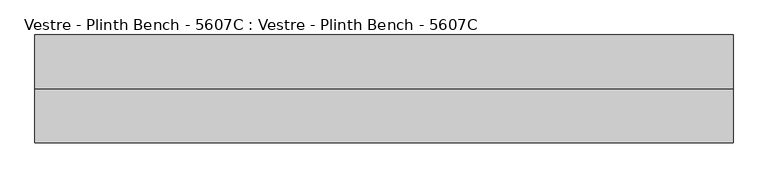
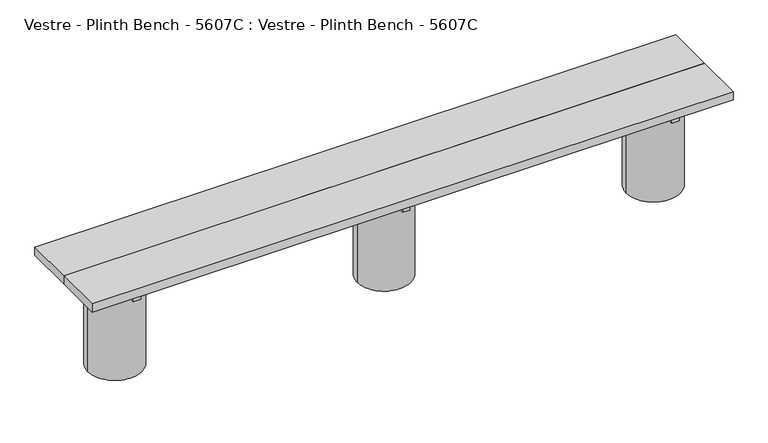
"""IFC4 building model written with IfcOpenShell, lengths in millimetres: furniture geometry, Vestre - Plinth Bench - 5607C : Vestre - Plinth Bench - 5607C."""

from ifc_helpers import new_model, si_unit, frame, origin, place, context, project, spatial, polyline, circle_curve, outline, extrude, source, transform, mapped, element, save
from ifc_brep_helpers import plane_surface, cylinder_surface, advanced_brep


def vestre_plinth_bench_5607c_vestre_plinth_bench_5607c_9e4b33b3(model_context):
    return source(origin(), model_context, "Body", "SolidModel", [
        extrude(outline(polyline([(1310.5005464, -17.4998463), (1310.5005464, -219.9999989), (-1310.5005464, -219.9999989), (-1310.5005464, -17.4998463), (1310.5005464, -17.4998463)])), frame((0.0, 0.0, 414.9999847), z_axis=(0.0, 0.0, 1.0), x_axis=(1.0, 0.0, 0.0)), (0.0, 0.0, 1.0), 35.0000153),
        extrude(outline(polyline([(-1085.9800473, -378.0001515), (-1115.9983608, -378.0001515), (-1115.9983608, -62.0001515), (-1085.9800473, -62.0001515), (-1085.9800473, -378.0001515)])), frame((0.0, 0.0, 364.9999847), z_axis=(0.0, 0.0, 1.0), x_axis=(1.0, 0.0, 0.0)), (0.0, 0.0, 1.0), 50.0),
        extrude(outline(polyline([(1116.0204991, -378.0001515), (1086.0021856, -378.0001515), (1086.0021856, -62.0001515), (1116.0204991, -62.0001515), (1116.0204991, -378.0001515)])), frame((0.0, 0.0, 364.9999847), z_axis=(0.0, 0.0, 1.0), x_axis=(1.0, 0.0, 0.0)), (0.0, 0.0, 1.0), 50.0),
        extrude(outline(polyline([(15.0204991, -378.0001515), (-14.9978144, -378.0001515), (-14.9978144, -62.0001515), (15.0204991, -62.0001515), (15.0204991, -378.0001515)])), frame((0.0, 0.0, 364.9999847), z_axis=(0.0, 0.0, 1.0), x_axis=(1.0, 0.0, 0.0)), (0.0, 0.0, 1.0), 50.0),
        extrude(outline(polyline([(1089.0011479, -202.4998463), (1089.0011479, -237.5001515), (-1089.0005464, -237.5001515), (-1089.0005464, -202.4998463), (1089.0011479, -202.4998463)])), frame((0.0, 0.0, 274.9999847), z_axis=(0.0, 0.0, 1.0), x_axis=(1.0, 0.0, 0.0)), (0.0, 0.0, 1.0), 90.0),
        extrude(outline(polyline([(1310.5005464, -219.9999989), (1310.5005464, -422.5001515), (-1310.5005464, -422.5001515), (-1310.5005464, -219.9999989), (1310.5005464, -219.9999989)])), frame((0.0, 0.0, 414.9999847), z_axis=(0.0, 0.0, 1.0), x_axis=(1.0, 0.0, 0.0)), (0.0, 0.0, 1.0), 35.0000153),
        advanced_brep(
        [(992.8249813, -237.5001515, 364.9999847), (1210.5868599, -219.9999989, 364.9999847), (992.8250143, -202.4996428, 364.9999847), (1089.0011479, -202.4996428, 364.9999847), (1089.0011479, -237.5001515, 364.9999847), (991.4186041, -219.9999989, 0.0), (1210.5868599, -219.9999989, 0.0), (992.8249813, -237.5001515, 274.9999847), (991.4186041, -219.9999989, 274.9999847), (992.8250143, -202.4996428, 274.9999847), (1089.0011479, -237.5001515, 274.9999847), (1089.0011479, -202.4996428, 274.9999847)],
        [
            (0, 1, circle_curve(frame((1101.002732, -219.9999989, 364.9999847), z_axis=(0.0, 0.0, 1.0), x_axis=(1.0, 0.0, 0.0)), 109.5841279)),
            (1, 2, circle_curve(frame((1101.002732, -219.9999989, 364.9999847), z_axis=(0.0, 0.0, 1.0), x_axis=(1.0, 0.0, 0.0)), 109.5841279)),
            (2, 3),
            (3, 4),
            (4, 0),
            (5, 6, circle_curve(frame((1101.002732, -219.9999989, 0.0), z_axis=(0.0, 0.0, -1.0), x_axis=(1.0, 0.0, 0.0)), 109.5841279)),
            (6, 5, circle_curve(frame((1101.002732, -219.9999989, 0.0), z_axis=(0.0, 0.0, -1.0), x_axis=(1.0, 0.0, 0.0)), 109.5841279)),
            (6, 1),
            (0, 7),
            (7, 8, circle_curve(frame((1101.002732, -219.9999989, 274.9999847), z_axis=(0.0, 0.0, -1.0), x_axis=(1.0, 0.0, 0.0)), 109.5841279)),
            (8, 5),
            (8, 9, circle_curve(frame((1101.002732, -219.9999989, 274.9999847), z_axis=(0.0, 0.0, -1.0), x_axis=(1.0, 0.0, 0.0)), 109.5841279)),
            (9, 2),
            (10, 11),
            (11, 9),
            (7, 10),
            (4, 10),
            (3, 11),
        ],
        [
            plane_surface(frame((1210.5868599, -219.9999989, 364.9999847), z_axis=(0.0, 0.0, 1.0), x_axis=(0.0, 1.0, 0.0))),
            plane_surface(frame((1210.5868599, -219.9999989, 0.0), z_axis=(0.0, 0.0, -1.0), x_axis=(0.0, -1.0, 0.0))),
            cylinder_surface(frame((1101.002732, -219.9999989, 0.0), z_axis=(0.0, 0.0, 1.0), x_axis=(1.0, 0.0, 0.0)), 109.5841279),
            plane_surface(frame((929.1366784, -202.4996428, 274.9999847), z_axis=(0.0, 0.0, 1.0), x_axis=(0.0, 1.0, 0.0))),
            plane_surface(frame((929.1366784, -237.5001515, 364.9999835), z_axis=(0.0, 1.0, 0.0), x_axis=(0.0, 0.0, -1.0))),
            plane_surface(frame((1089.0011479, -237.5001515, 364.9999835), z_axis=(-1.0, 0.0, 0.0), x_axis=(0.0, 0.0, -1.0))),
            plane_surface(frame((1089.0011479, -202.4996428, 364.9999835), z_axis=(0.0, -1.0, 0.0), x_axis=(0.0, 0.0, -1.0))),
        ],
        [
            (0, [[1, 2, 3, 4, 5]]),
            (1, [[6, 7]]),
            (2, [[-7, 8, -1, 9, 10, 11]]),
            (2, [[-6, -11, 12, 13, -2, -8]]),
            (3, [[14, 15, -12, -10, 16]]),
            (4, [[17, -16, -9, -5]]),
            (5, [[-14, -17, -4, 18]]),
            (6, [[-18, -3, -13, -15]]),
        ],
    ),
        advanced_brep(
        [(-108.1750187, -237.5001515, 364.9999847), (108.1804827, -237.5001515, 364.9999847), (108.1804827, -202.4998463, 364.9999847), (-108.1750187, -202.4998463, 364.9999847), (-109.5813959, -219.9999989, 0.0), (109.5868599, -219.9999989, 0.0), (109.5868599, -219.9999989, 274.9999847), (108.1804827, -237.5001515, 274.9999847), (-108.1750187, -237.5001515, 274.9999847), (-109.5813959, -219.9999989, 274.9999847), (-108.1750187, -202.4998463, 274.9999847), (108.1804827, -202.4998463, 274.9999847)],
        [
            (0, 1, circle_curve(frame((0.002732, -219.9999989, 364.9999847), z_axis=(0.0, 0.0, 1.0), x_axis=(1.0, 0.0, 0.0)), 109.5841279)),
            (1, 0),
            (2, 3, circle_curve(frame((0.002732, -219.9999989, 364.9999847), z_axis=(0.0, 0.0, 1.0), x_axis=(1.0, 0.0, 0.0)), 109.5841279)),
            (3, 2),
            (4, 5, circle_curve(frame((0.002732, -219.9999989, 0.0), z_axis=(0.0, 0.0, -1.0), x_axis=(1.0, 0.0, 0.0)), 109.5841279)),
            (5, 4, circle_curve(frame((0.002732, -219.9999989, 0.0), z_axis=(0.0, 0.0, -1.0), x_axis=(1.0, 0.0, 0.0)), 109.5841279)),
            (5, 6),
            (6, 7, circle_curve(frame((0.002732, -219.9999989, 274.9999847), z_axis=(0.0, 0.0, -1.0), x_axis=(1.0, 0.0, 0.0)), 109.5841279)),
            (7, 1),
            (0, 8),
            (8, 9, circle_curve(frame((0.002732, -219.9999989, 274.9999847), z_axis=(0.0, 0.0, -1.0), x_axis=(1.0, 0.0, 0.0)), 109.5841279)),
            (9, 4),
            (9, 10, circle_curve(frame((0.002732, -219.9999989, 274.9999847), z_axis=(0.0, 0.0, -1.0), x_axis=(1.0, 0.0, 0.0)), 109.5841279)),
            (10, 3),
            (2, 11),
            (11, 6, circle_curve(frame((0.002732, -219.9999989, 274.9999847), z_axis=(0.0, 0.0, -1.0), x_axis=(1.0, 0.0, 0.0)), 109.5841279)),
            (11, 10),
            (8, 7),
        ],
        [
            plane_surface(frame((109.5868599, -219.9999989, 364.9999847), z_axis=(0.0, 0.0, 1.0), x_axis=(0.0, 1.0, 0.0))),
            plane_surface(frame((109.5868599, -219.9999989, 0.0), z_axis=(0.0, 0.0, -1.0), x_axis=(0.0, -1.0, 0.0))),
            cylinder_surface(frame((0.002732, -219.9999989, 0.0), z_axis=(0.0, 0.0, 1.0), x_axis=(1.0, 0.0, 0.0)), 109.5841279),
            plane_surface(frame((-130.4989072, -202.4998463, 274.9999847), z_axis=(0.0, 0.0, 1.0), x_axis=(1.0, 0.0, 0.0))),
            plane_surface(frame((-130.4989072, -202.4998463, 364.9999847), z_axis=(0.0, -1.0, 0.0), x_axis=(1.0, 0.0, 0.0))),
            plane_surface(frame((-130.4989072, -237.5001515, 274.9999847), z_axis=(0.0, 1.0, 0.0), x_axis=(1.0, 0.0, 0.0))),
        ],
        [
            (0, [[1, 2]]),
            (0, [[3, 4]]),
            (1, [[5, 6]]),
            (2, [[-6, 7, 8, 9, -1, 10, 11, 12]]),
            (2, [[-5, -12, 13, 14, -3, 15, 16, -7]]),
            (3, [[17, -13, -11, 18, -8, -16]]),
            (4, [[-17, -15, -4, -14]]),
            (5, [[-18, -10, -2, -9]]),
        ],
    ),
        advanced_brep(
        [(-1210.5819423, -219.9999989, 364.9999847), (-992.8200637, -237.5001515, 364.9999847), (-1088.9994536, -237.5001515, 364.9999847), (-1088.9994536, -202.4998463, 364.9999847), (-992.8200637, -202.4998463, 364.9999847), (-1210.5819423, -219.9999989, 0.0), (-991.4136865, -219.9999989, 0.0), (-991.4136865, -219.9999989, 274.9999847), (-992.8200637, -237.5001515, 274.9999847), (-992.8200637, -202.4998463, 274.9999847), (-1088.9994536, -237.5001515, 274.9999847), (-1088.9994536, -202.4998463, 274.9999847)],
        [
            (0, 1, circle_curve(frame((-1100.9978144, -219.9999989, 364.9999847), z_axis=(0.0, 0.0, 1.0), x_axis=(1.0, 0.0, 0.0)), 109.5841279)),
            (1, 2),
            (2, 3),
            (3, 4),
            (4, 0, circle_curve(frame((-1100.9978144, -219.9999989, 364.9999847), z_axis=(0.0, 0.0, 1.0), x_axis=(1.0, 0.0, 0.0)), 109.5841279)),
            (5, 6, circle_curve(frame((-1100.9978144, -219.9999989, 0.0), z_axis=(0.0, 0.0, -1.0), x_axis=(1.0, 0.0, 0.0)), 109.5841279)),
            (6, 5, circle_curve(frame((-1100.9978144, -219.9999989, 0.0), z_axis=(0.0, 0.0, -1.0), x_axis=(1.0, 0.0, 0.0)), 109.5841279)),
            (6, 7),
            (7, 8, circle_curve(frame((-1100.9978144, -219.9999989, 274.9999847), z_axis=(0.0, 0.0, -1.0), x_axis=(1.0, 0.0, 0.0)), 109.5841279)),
            (8, 1),
            (0, 5),
            (4, 9),
            (9, 7, circle_curve(frame((-1100.9978144, -219.9999989, 274.9999847), z_axis=(0.0, 0.0, -1.0), x_axis=(1.0, 0.0, 0.0)), 109.5841279)),
            (10, 11),
            (11, 3),
            (2, 10),
            (10, 8),
            (9, 11),
        ],
        [
            plane_surface(frame((-991.4136865, -219.9999989, 364.9999847), z_axis=(0.0, 0.0, 1.0), x_axis=(0.0, 1.0, 0.0))),
            plane_surface(frame((-991.4136865, -219.9999989, 0.0), z_axis=(0.0, 0.0, -1.0), x_axis=(0.0, -1.0, 0.0))),
            cylinder_surface(frame((-1100.9978144, -219.9999989, 0.0), z_axis=(0.0, 0.0, 1.0), x_axis=(1.0, 0.0, 0.0)), 109.5841279),
            plane_surface(frame((-1088.9994536, -202.4998463, 274.9999847), z_axis=(1.0, 0.0, 0.0), x_axis=(0.0, -1.0, 0.0))),
            plane_surface(frame((-970.4989072, -237.5001515, 274.9999847), z_axis=(0.0, 0.0, 1.0), x_axis=(-1.0, 0.0, 0.0))),
            plane_surface(frame((-970.4989072, -202.4998463, 274.9999847), z_axis=(0.0, -1.0, 0.0), x_axis=(-1.0, 0.0, 0.0))),
            plane_surface(frame((-970.4989072, -237.5001515, 364.9999847), z_axis=(0.0, 1.0, 0.0), x_axis=(-1.0, 0.0, 0.0))),
        ],
        [
            (0, [[1, 2, 3, 4, 5]]),
            (1, [[6, 7]]),
            (2, [[-7, 8, 9, 10, -1, 11]]),
            (2, [[-6, -11, -5, 12, 13, -8]]),
            (3, [[14, 15, -3, 16]]),
            (4, [[-14, 17, -9, -13, 18]]),
            (5, [[-15, -18, -12, -4]]),
            (6, [[-16, -2, -10, -17]]),
        ],
    ),
    ])


if __name__ == "__main__":
    model = new_model("IFC4")
    model_context = context("Model", 3, world=origin())
    ifc_project = project(units=[si_unit("LENGTHUNIT", "METRE", prefix="MILLI")], contexts=[model_context])
    site = spatial("IfcSite", under=ifc_project)
    building = spatial("IfcBuilding", under=site)
    placement = place(None, origin())
    vestre_plinth_bench_5607c_vestre_plinth_bench_5607c_shape = vestre_plinth_bench_5607c_vestre_plinth_bench_5607c_9e4b33b3(model_context)
    element("IfcFurniture", 1, ObjectType="Vestre - Plinth Bench - 5607C : Vestre - Plinth Bench - 5607C", at=placement, inside=building, context=model_context, shape_type="MappedRepresentation", body=[
        mapped(vestre_plinth_bench_5607c_vestre_plinth_bench_5607c_shape, transform((0.0, 0.0, 0.0), x_axis=(1.0, 0.0, 0.0), y_axis=(0.0, 1.0, 0.0), z_axis=(0.0, 0.0, 1.0))),
    ])
    save(model, "model.ifc")
